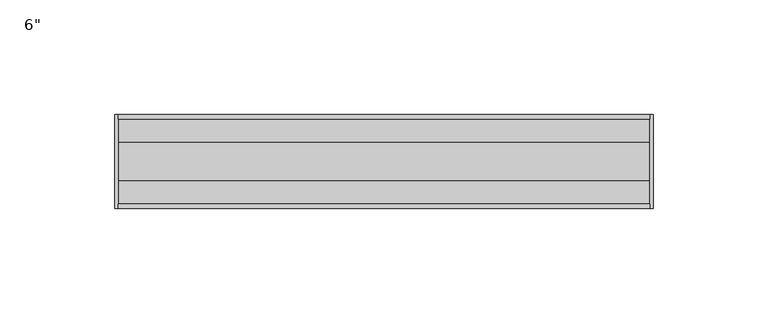
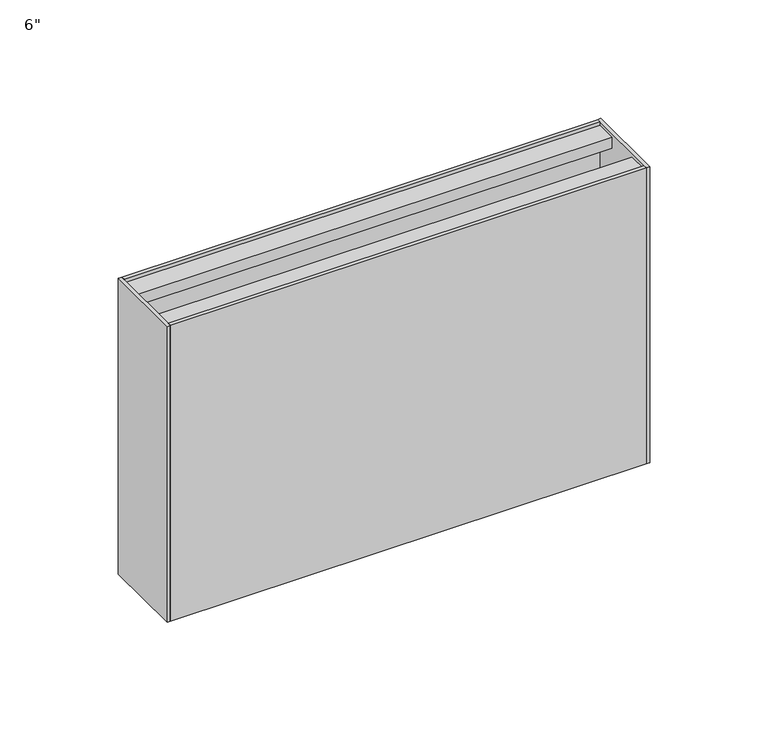
"""IFC4 building model written with IfcOpenShell, lengths in millimetres: proxy geometry."""

from ifc_helpers import new_model, si_unit, frame, origin, origin_with_axes, place, context, project, spatial, polyline, outline, extrude, source, transform, mapped, element, save


def proxy_3675b700(model_context):
    return source(origin(), model_context, "Body", "SweptSolid", [
        extrude(outline(polyline([(20.5, 152.4), (20.5, 0.0), (-20.5, 0.0), (-20.5, 152.4), (-18.5, 152.4), (-18.5, 150.65), (-8.5, 150.65), (-8.5, 145.0), (-9.5, 145.0), (-13.15, 148.65), (-18.5, 148.65), (-18.5, 125.25), (18.5, 125.25), (18.5, 148.65), (13.15, 148.65), (9.5, 145.0), (8.5, 145.0), (8.5, 150.65), (18.5, 150.65), (18.5, 152.4), (20.5, 152.4)]), holes=[polyline([(18.5, 123.25), (-18.5, 123.25), (-18.5, 2.0), (18.5, 2.0), (18.5, 123.25)])]), frame((1.651, 0.0, 0.0), z_axis=(1.0, 0.0, 0.0), x_axis=(0.0, 1.0, 0.0)), (0.0, 0.0, 1.0), 231.7418928),
        extrude(outline(polyline([(0.0, -20.5), (0.0, 20.5), (1.651, 20.5), (1.651, -20.5), (0.0, -20.5)])), origin_with_axes(), (0.0, 0.0, 1.0), 152.4),
        extrude(outline(polyline([(235.0438928, -20.5), (233.3928928, -20.5), (233.3928928, 20.5), (235.0438928, 20.5), (235.0438928, -20.5)])), origin_with_axes(), (0.0, 0.0, 1.0), 152.4),
    ])


if __name__ == "__main__":
    model = new_model("IFC4")
    model_context = context("Model", 3, world=origin())
    ifc_project = project(units=[si_unit("LENGTHUNIT", "METRE", prefix="MILLI")], contexts=[model_context])
    site = spatial("IfcSite", under=ifc_project)
    building = spatial("IfcBuilding", under=site)
    placement = place(None, origin())
    proxy_shape = proxy_3675b700(model_context)
    element("IfcBuildingElementProxy", 1, Name="6\"", ObjectType="6\"", at=placement, inside=building, context=model_context, shape_type="MappedRepresentation", body=[
        mapped(proxy_shape, transform((0.0, 0.0, 0.0), x_axis=(1.0, 0.0, 0.0), y_axis=(0.0, 1.0, 0.0), z_axis=(0.0, 0.0, 1.0))),
    ])
    save(model, "model.ifc")
